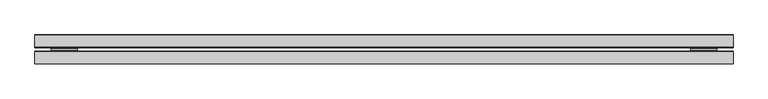
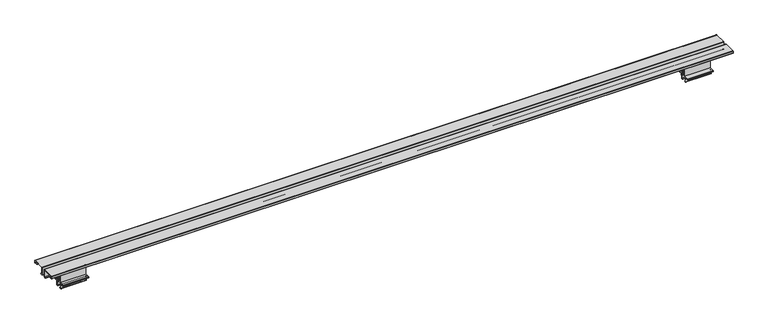
"""IFC4 building model written with IfcOpenShell, lengths in millimetres: furniture geometry."""

import ifcopenshell
import ifcopenshell.guid

model = None  # the IFC model being written
_history = None  # IfcOwnerHistory: only IFC2X3 demands one
_inside = {}  # id of a spatial element -> (the spatial element, [elements in it])
_under = {}  # id of a project, library or spatial element -> (it, [spatial elements below it])
_declared = {}  # id of a project -> (the project, [libraries it declares])
_typed = {}  # id of a type object -> (the type object, [elements of that type])
_made_of = {}  # id of a material, layer set ... -> (it, [elements and type objects made of it])


def new_model(schema):
    """Start an empty IFC model of exactly this schema.

    Asked for "IFC4X3", IfcOpenShell would pick the latest addendum, in which some entities
    have other attributes; the version numbers below select the first issue.
    IFC2X3 requires an IfcOwnerHistory on every rooted entity: one is made here for all.
    """
    global model, _history
    if schema == "IFC4X3":
        model = ifcopenshell.file(schema_version=(4, 3, 0, 0))
    else:
        model = ifcopenshell.file(schema=schema)
    _inside.clear()
    _under.clear()
    _declared.clear()
    _typed.clear()
    _made_of.clear()
    _history = None
    if model.schema == "IFC2X3":
        org = make("IfcOrganization", Name="unknown")
        user = make(
            "IfcPersonAndOrganization",
            ThePerson=make("IfcPerson", FamilyName="unknown"),
            TheOrganization=org,
        )
        app = make(
            "IfcApplication",
            ApplicationDeveloper=org,
            Version="unknown",
            ApplicationFullName="unknown",
            ApplicationIdentifier="unknown",
        )
        _history = make(
            "IfcOwnerHistory",
            OwningUser=user,
            OwningApplication=app,
            ChangeAction="ADDED",
            CreationDate=0,
        )
    return model


def make(cls, **values):
    """One entity of the class cls with the attributes given. An attribute that is None is left unset."""
    return model.create_entity(
        cls, **{name: value for name, value in values.items() if value is not None}
    )


def rooted(cls, **values):
    """An entity with a GlobalId (a new one), such as an element, a storey or a relation."""
    return make(cls, GlobalId=ifcopenshell.guid.new(), OwnerHistory=_history, **values)


def si_unit(unit_type, name, prefix=None):
    """IfcSIUnit, for example si_unit("LENGTHUNIT", "METRE", prefix="MILLI")."""
    return make("IfcSIUnit", UnitType=unit_type, Prefix=prefix, Name=name)


def assignment(units):
    """IfcUnitAssignment: the units of a project."""
    return None if units is None else make("IfcUnitAssignment", Units=units)


def point(xyz):
    """IfcCartesianPoint."""
    return None if xyz is None else make("IfcCartesianPoint", Coordinates=xyz)


def direction(xyz):
    """IfcDirection."""
    return None if xyz is None else make("IfcDirection", DirectionRatios=xyz)


def frame(location, z_axis=None, x_axis=None):
    """IfcAxis2Placement3D, a coordinate frame: its origin and axes. An axis left out is left unset."""
    return make(
        "IfcAxis2Placement3D",
        Location=point(location),
        Axis=direction(z_axis),
        RefDirection=direction(x_axis),
    )


def frame_2d(location, x_axis=None):
    """IfcAxis2Placement2D, a coordinate frame in the plane: its origin and x axis."""
    return make(
        "IfcAxis2Placement2D", Location=point(location), RefDirection=direction(x_axis)
    )


def origin():
    """The frame at (0, 0, 0) with its axes left unset."""
    return frame((0.0, 0.0, 0.0))


def place(relative_to, where):
    """IfcLocalPlacement: puts the frame where relative to a parent placement (None: the world)."""
    return make(
        "IfcLocalPlacement", PlacementRelTo=relative_to, RelativePlacement=where
    )


def context(
    kind, dimensions, precision=None, world=None, true_north=None, identifier=None
):
    """IfcGeometricRepresentationContext, for example the 3D "Model" context."""
    return make(
        "IfcGeometricRepresentationContext",
        ContextIdentifier=identifier,
        ContextType=kind,
        CoordinateSpaceDimension=dimensions,
        Precision=precision,
        WorldCoordinateSystem=world,
        TrueNorth=true_north,
    )


def project(units=None, contexts=None):
    """IfcProject with its units and contexts."""
    return rooted(
        "IfcProject",
        Name="project",
        RepresentationContexts=contexts,
        UnitsInContext=assignment(units),
    )


def spatial(cls, under=None, at=None, **own):
    """A site, building, storey or space (cls), placed at a placement, below another one or the project."""
    s = rooted(cls, ObjectPlacement=at, **own)
    if under is not None:
        _under.setdefault(under.id(), (under, []))[1].append(s)
    return s


def polyline(points):
    """IfcPolyline through the points."""
    return make("IfcPolyline", Points=[point(p) for p in points])


def circle_curve(where, radius):
    """IfcCircle in the frame where."""
    return make("IfcCircle", Position=where, Radius=radius)


def trimmed(basis, trim1, trim2, sense, master):
    """IfcTrimmedCurve: the piece of a basis curve between two trims."""
    return make(
        "IfcTrimmedCurve",
        BasisCurve=basis,
        Trim1=trim1,
        Trim2=trim2,
        SenseAgreement=sense,
        MasterRepresentation=master,
    )


def segment(curve, same_sense, transition):
    """IfcCompositeCurveSegment."""
    return make(
        "IfcCompositeCurveSegment",
        Transition=transition,
        SameSense=same_sense,
        ParentCurve=curve,
    )


def composite_curve(segments, self_intersect=None):
    """IfcCompositeCurve: segments joined end to end."""
    return make("IfcCompositeCurve", Segments=segments, SelfIntersect=self_intersect)


def outline(outer, holes=None, kind="AREA"):
    """IfcArbitraryClosedProfileDef: a profile drawn as a closed curve; with holes, ...WithVoids."""
    if holes is None:
        return make("IfcArbitraryClosedProfileDef", ProfileType=kind, OuterCurve=outer)
    return make(
        "IfcArbitraryProfileDefWithVoids",
        ProfileType=kind,
        OuterCurve=outer,
        InnerCurves=holes,
    )


def extrude(swept, where, along, depth):
    """IfcExtrudedAreaSolid: the profile swept, set in the frame where, extruded along a direction by depth."""
    return make(
        "IfcExtrudedAreaSolid",
        SweptArea=swept,
        Position=where,
        ExtrudedDirection=direction(along),
        Depth=depth,
    )


def shape(context_of_items, identifier, shape_type, items):
    """IfcShapeRepresentation: the items that make up one representation, for example the "Body"."""
    return make(
        "IfcShapeRepresentation",
        ContextOfItems=context_of_items,
        RepresentationIdentifier=identifier,
        RepresentationType=shape_type,
        Items=items,
    )


def source(mapping_origin, context_of_items, identifier, shape_type, items):
    """IfcRepresentationMap: a shape defined once, which mapped items show again and again."""
    return make(
        "IfcRepresentationMap",
        MappingOrigin=mapping_origin,
        MappedRepresentation=shape(context_of_items, identifier, shape_type, items),
    )


def transform(
    local_origin,
    x_axis=None,
    y_axis=None,
    z_axis=None,
    scale=None,
    scale2=None,
    scale3=None,
    uniform=True,
):
    """IfcCartesianTransformationOperator3D, or its non-uniform kind. x_axis, y_axis, z_axis: its Axis1, 2, 3."""
    if uniform:
        return make(
            "IfcCartesianTransformationOperator3D",
            Axis1=direction(x_axis),
            Axis2=direction(y_axis),
            LocalOrigin=point(local_origin),
            Scale=scale,
            Axis3=direction(z_axis),
        )
    return make(
        "IfcCartesianTransformationOperator3DnonUniform",
        Axis1=direction(x_axis),
        Axis2=direction(y_axis),
        LocalOrigin=point(local_origin),
        Scale=scale,
        Axis3=direction(z_axis),
        Scale2=scale2,
        Scale3=scale3,
    )


def mapped(mapping_source, mapping_target):
    """IfcMappedItem: shows the shape of a source again, moved by a transform."""
    return make(
        "IfcMappedItem", MappingSource=mapping_source, MappingTarget=mapping_target
    )


def made_of(thing, what):
    """Note that an element or type object is made of a material, layer set ...; save() writes the relation."""
    if what is not None:
        _made_of.setdefault(what.id(), (what, []))[1].append(thing)
    return thing


def element(
    cls,
    number,
    at=None,
    inside=None,
    cuts=None,
    type_object=None,
    material=None,
    context=None,
    identifier="Body",
    shape_type=None,
    held_by="IfcProductDefinitionShape",
    body=None,
    shapes=None,
    **own,
):
    """One element of the class cls, such as IfcWall. Its Tag is "e" and its number.

    at: its placement. inside: the storey or other place that contains it. cuts: it is an
    opening in that element (IfcRelVoidsElement). A single representation is given by context,
    identifier, shape_type and body (its items); several are given by shapes. held_by: the class
    of the entity that holds the representations. save() writes the other relations.
    """
    e = rooted(cls, Tag="e%d" % number, ObjectPlacement=at, **own)
    if body is not None:
        shapes = [shape(context, identifier, shape_type, body)]
    if shapes is not None:
        e.Representation = make(held_by, Representations=shapes)
    if inside is not None:
        _inside.setdefault(inside.id(), (inside, []))[1].append(e)
    if cuts is not None:
        rooted(
            "IfcRelVoidsElement", RelatingBuildingElement=cuts, RelatedOpeningElement=e
        )
    if type_object is not None:
        _typed.setdefault(type_object.id(), (type_object, []))[1].append(e)
    return made_of(e, material)


def aggregate(whole, parts):
    """IfcRelAggregates: a whole, such as a stair, and the parts it consists of."""
    return rooted("IfcRelAggregates", RelatingObject=whole, RelatedObjects=parts)


def save(model, path):
    """Write the relations noted so far, then the file.

    IfcRelAggregates (storeys below a building ...), IfcRelContainedInSpatialStructure (elements
    in a storey), IfcRelDefinesByType, IfcRelAssociatesMaterial and IfcRelDeclares: one each for
    every whole, place, type object, material and project.
    """
    for whole, parts in _under.values():
        aggregate(whole, parts)
    for where, things in _inside.values():
        rooted(
            "IfcRelContainedInSpatialStructure",
            RelatedElements=things,
            RelatingStructure=where,
        )
    for kind, things in _typed.values():
        rooted("IfcRelDefinesByType", RelatedObjects=things, RelatingType=kind)
    for what, things in _made_of.values():
        rooted("IfcRelAssociatesMaterial", RelatedObjects=things, RelatingMaterial=what)
    for by, libraries in _declared.values():
        rooted("IfcRelDeclares", RelatingContext=by, RelatedDefinitions=libraries)
    model.write(path)


def plane_surface(at):
    """IfcPlane: the flat surface through the origin of the frame at, square to its z axis."""
    return make("IfcPlane", Position=at)


def cylinder_surface(at, radius):
    """IfcCylindricalSurface: all points at the distance radius from the z axis of the frame at."""
    return make("IfcCylindricalSurface", Position=at, Radius=radius)


def revolved_surface(curve, axis_point, axis_direction):
    """IfcSurfaceOfRevolution: the curve turned about the line through axis_point along axis_direction."""
    return make(
        "IfcSurfaceOfRevolution",
        SweptCurve=make("IfcArbitraryOpenProfileDef", ProfileType="CURVE", Curve=curve),
        AxisPosition=make("IfcAxis1Placement", Location=point(axis_point), Axis=direction(axis_direction)),
    )


def advanced_brep(points, edges, surfaces, faces):
    """IfcAdvancedBrep: a solid bounded by faces that lie on surfaces and meet in shared edges.

    An edge is (start, end): straight between two places in points (the first is 0);
    or (start, end, curve); or (start, end, curve, False) where it runs against its curve.
    A face is (place in surfaces, loops), or (place, loops, False) where it looks against
    its surface's normal. A loop lists edges by number (the first is 1), with a minus sign
    where the edge is run from its end to its start. The first loop is the outer one.
    """
    corners = [point(p) for p in points]
    vertices = [make("IfcVertexPoint", VertexGeometry=c) for c in corners]
    made = []
    for start, end, *more in edges:
        made.append(
            make(
                "IfcEdgeCurve",
                EdgeStart=vertices[start],
                EdgeEnd=vertices[end],
                EdgeGeometry=more[0] if more else make("IfcPolyline", Points=[corners[start], corners[end]]),
                SameSense=more[1] if len(more) > 1 else True,
            )
        )
    hull = []
    for where, loops, *sense in faces:
        bounds = []
        for j, loop in enumerate(loops):
            ring = [make("IfcOrientedEdge", EdgeElement=made[abs(k) - 1], Orientation=k > 0) for k in loop]
            bounds.append(
                make(
                    "IfcFaceOuterBound" if j == 0 else "IfcFaceBound",
                    Bound=make("IfcEdgeLoop", EdgeList=ring),
                    Orientation=True,
                )
            )
        hull.append(make("IfcAdvancedFace", Bounds=bounds, FaceSurface=surfaces[where], SameSense=sense[0] if sense else True))
    return make("IfcAdvancedBrep", Outer=make("IfcClosedShell", CfsFaces=hull))


def furniture_a7e4b284(model_context):
    return source(origin(), model_context, "Body", "SolidModel", [
        extrude(outline(composite_curve([segment(polyline([(-46.1411741, 699.5921989), (-52.5216442, 699.5921989), (-52.5216442, 700.3795989), (-46.1411741, 700.3795989)]), True, "CONTINUOUS"), segment(trimmed(circle_curve(frame_2d((-46.1411741, 698.7336715)), 1.6459275), [point((-46.1411741, 700.3795989))], [point((-44.4952466, 698.7336715))], False, "CARTESIAN"), True, "CONTINUOUS"), segment(polyline([(-44.4952466, 698.7336715), (-44.4952466, 694.5076187), (-42.3108667, 689.7831667), (-42.3108667, 673.6334001), (-35.9226813, 673.6334001), (-35.9226813, 689.7831667), (-33.7383014, 694.5076187), (-33.7383014, 698.7336715)]), True, "CONTINUOUS"), segment(trimmed(circle_curve(frame_2d((-32.0923739, 698.7336715)), 1.6459275), [point((-33.7383014, 698.7336715))], [point((-32.0923739, 700.3795989))], False, "CARTESIAN"), True, "CONTINUOUS"), segment(polyline([(-32.0923739, 700.3795989), (-25.7119037, 700.3795989), (-25.7119037, 699.5921989), (-32.0923739, 699.5921989)]), True, "CONTINUOUS"), segment(trimmed(circle_curve(frame_2d((-32.0923739, 698.7336715)), 0.8585275), [point((-32.0923739, 699.5921989))], [point((-32.9509014, 698.7336715))], True, "CARTESIAN"), True, "CONTINUOUS"), segment(polyline([(-32.9509014, 698.7336715), (-32.9509014, 672.6173965), (-45.2826466, 672.6173965), (-45.2826466, 698.7336715)]), True, "CONTINUOUS"), segment(trimmed(circle_curve(frame_2d((-46.1411741, 698.7336715)), 0.8585275), [point((-45.2826466, 698.7336715))], [point((-46.1411741, 699.5921989))], True, "CARTESIAN"), True, "CONTINUOUS")], self_intersect=False)), frame((1717.5479964, 0.0, 0.0), z_axis=(1.0, 0.0, 0.0), x_axis=(0.0, 1.0, 0.0)), (0.0, 0.0, 1.0), 68.5800073),
        advanced_brep(
        [(1786.1280036, -43.8856479, 657.529798), (1786.1280036, -43.8856479, 658.317198), (1786.1280036, -47.4162484, 658.317198), (1786.1280036, -47.4162484, 666.3111433), (1786.1280036, -48.2566383, 667.7667378), (1786.1280036, -49.1307467, 668.2714021), (1786.1280036, -49.1307467, 670.2572048), (1786.1280036, -50.5257409, 671.6521989), (1786.1280036, -56.9931108, 671.6521989), (1786.1280036, -57.8998062, 670.8358068), (1786.1280036, -58.5922468, 671.8247145), (1786.1280036, -58.5922468, 672.6173965), (1786.1280036, -19.6540457, 672.6173965), (1786.1280036, -19.6540457, 671.8065135), (1786.1280036, -20.3337418, 670.8358068), (1786.1280036, -21.2404371, 671.6521989), (1786.1280036, -27.8273525, 671.6521989), (1786.1280036, -29.1155469, 670.3640045), (1786.1280036, -29.1155469, 668.2714021), (1786.1280036, -30.0322406, 667.7421513), (1786.1280036, -30.8300452, 666.3603165), (1786.1280036, -30.8300452, 658.317198), (1786.1280036, -34.3606457, 658.317198), (1786.1280036, -34.3606457, 657.529798), (1786.1280036, -30.560857, 657.529798), (1786.1280036, -30.0426452, 658.0480098), (1786.1280036, -30.0426452, 666.3603165), (1786.1280036, -29.6385421, 667.060242), (1786.1280036, -28.7038003, 667.5999128), (1786.1280036, -28.3281469, 668.2505621), (1786.1280036, -28.3281469, 670.3640045), (1786.1280036, -27.8273525, 670.8647989), (1786.1280036, -21.5426917, 670.8647989), (1786.1280036, -20.7678586, 670.1671361), (1786.1280036, -19.8407122, 670.1671361), (1786.1280036, -18.8666457, 671.5582472), (1786.1280036, -18.8666457, 672.9055121), (1786.1280036, -19.36593, 673.4047965), (1786.1280036, -58.8676179, 673.4047965), (1786.1280036, -59.3796468, 672.8927676), (1786.1280036, -59.3796468, 671.5764482), (1786.1280036, -58.3928358, 670.1671361), (1786.1280036, -57.4656894, 670.1671361), (1786.1280036, -56.6908563, 670.8647989), (1786.1280036, -50.5257409, 670.8647989), (1786.1280036, -49.9181467, 670.2572048), (1786.1280036, -49.9181467, 668.2891546), (1786.1280036, -49.5090711, 667.5806166), (1786.1280036, -48.6503368, 667.0848285), (1786.1280036, -48.2036484, 666.3111433), (1786.1280036, -48.2036484, 657.9107976), (1786.1280036, -47.672691, 657.529798), (1717.5479964, -43.8856479, 657.529798), (1717.5479964, -47.672691, 657.529798), (1717.5479964, -48.1909027, 658.0480098), (1717.5479964, -48.2036484, 666.3111433), (1717.5479964, -48.6503368, 667.0848285), (1717.5479964, -49.5090711, 667.5806166), (1717.5479964, -49.9181467, 668.2891546), (1717.5479964, -49.9181467, 670.2572048), (1717.5479964, -50.5257409, 670.8647989), (1717.5479964, -56.6908563, 670.8647989), (1717.5479964, -57.4656894, 670.1671361), (1717.5479964, -58.3928358, 670.1671361), (1717.5479964, -59.3796468, 671.5764482), (1717.5479964, -59.3796468, 672.8927676), (1717.5479964, -58.8676179, 673.4047965), (1717.5479964, -19.36593, 673.4047965), (1717.5479964, -18.8666457, 672.9055121), (1717.5479964, -18.8666457, 671.5582472), (1717.5479964, -19.8407122, 670.1671361), (1717.5479964, -20.7678586, 670.1671361), (1717.5479964, -21.5426917, 670.8647989), (1717.5479964, -27.8273525, 670.8647989), (1717.5479964, -28.3281469, 670.3640045), (1717.5479964, -28.3281469, 668.2505621), (1717.5479964, -28.7038003, 667.5999128), (1717.5479964, -29.6385421, 667.060242), (1717.5479964, -30.0426452, 666.3603165), (1717.5479964, -30.0426452, 658.0480098), (1717.5479964, -30.560857, 657.529798), (1717.5479964, -34.3606457, 657.529798), (1717.5479964, -34.3606457, 658.317198), (1717.5479964, -30.8300452, 658.317198), (1717.5479964, -30.8300452, 666.3603165), (1717.5479964, -30.0322406, 667.7421513), (1717.5479964, -29.1155469, 668.2714021), (1717.5479964, -29.1155469, 670.3640045), (1717.5479964, -27.8273525, 671.6521989), (1717.5479964, -21.2404371, 671.6521989), (1717.5479964, -20.3337418, 670.8358068), (1717.5479964, -19.6540457, 671.8065135), (1717.5479964, -19.6540457, 672.6173965), (1717.5479964, -58.5922468, 672.6173965), (1717.5479964, -58.5922468, 671.8247145), (1717.5479964, -57.8998062, 670.8358068), (1717.5479964, -56.9931108, 671.6521989), (1717.5479964, -50.5257409, 671.6521989), (1717.5479964, -49.1307467, 670.2572048), (1717.5479964, -49.1307467, 668.2714021), (1717.5479964, -48.2566383, 667.7667378), (1717.5479964, -47.4162484, 666.3111433), (1717.5479964, -47.4162484, 658.317198), (1717.5479964, -43.8856479, 658.317198)],
        [
            (0, 1),
            (1, 2),
            (2, 3),
            (3, 4, circle_curve(frame((1786.1280036, -49.097022, 666.3111433), z_axis=(1.0, 0.0, 0.0), x_axis=(0.0, 1.0, 0.0)), 1.6807736)),
            (4, 5),
            (5, 6),
            (6, 7, circle_curve(frame((1786.1280036, -50.5257409, 670.2572048), z_axis=(1.0, 0.0, 0.0), x_axis=(0.0, 1.0, 0.0)), 1.3949941)),
            (7, 8),
            (8, 9),
            (9, 10),
            (10, 11),
            (11, 12),
            (12, 13),
            (13, 14),
            (14, 15),
            (15, 16),
            (16, 17, circle_curve(frame((1786.1280036, -27.8273525, 670.3640045), z_axis=(1.0, 0.0, 0.0), x_axis=(0.0, 1.0, 0.0)), 1.2881944)),
            (17, 18),
            (18, 19),
            (19, 20, circle_curve(frame((1786.1280036, -29.2344419, 666.3603165), z_axis=(1.0, 0.0, 0.0), x_axis=(0.0, 1.0, 0.0)), 1.5956034)),
            (20, 21),
            (21, 22),
            (22, 23),
            (23, 24),
            (24, 25, circle_curve(frame((1786.1280036, -30.560857, 658.0480098), z_axis=(1.0, 0.0, 0.0), x_axis=(0.0, 1.0, 0.0)), 0.5182118)),
            (25, 26),
            (26, 27, circle_curve(frame((1786.1280036, -29.2344419, 666.3603165), z_axis=(-1.0, 0.0, 0.0), x_axis=(0.0, 1.0, 0.0)), 0.8082034)),
            (27, 28),
            (28, 29, circle_curve(frame((1786.1280036, -29.079451, 668.2505621), z_axis=(1.0, 0.0, 0.0), x_axis=(0.0, 1.0, 0.0)), 0.7513042)),
            (29, 30),
            (30, 31, circle_curve(frame((1786.1280036, -27.8273525, 670.3640045), z_axis=(-1.0, 0.0, 0.0), x_axis=(0.0, 1.0, 0.0)), 0.5007944)),
            (31, 32),
            (32, 33),
            (33, 34),
            (34, 35),
            (35, 36),
            (36, 37, circle_curve(frame((1786.1280036, -19.36593, 672.9055121), z_axis=(1.0, 0.0, 0.0), x_axis=(0.0, 1.0, 0.0)), 0.4992844)),
            (37, 38),
            (38, 39, circle_curve(frame((1786.1280036, -58.8676179, 672.8927676), z_axis=(1.0, 0.0, 0.0), x_axis=(0.0, 1.0, 0.0)), 0.5120288)),
            (39, 40),
            (40, 41),
            (41, 42),
            (42, 43),
            (43, 44),
            (44, 45, circle_curve(frame((1786.1280036, -50.5257409, 670.2572048), z_axis=(-1.0, 0.0, 0.0), x_axis=(0.0, 1.0, 0.0)), 0.6075941)),
            (45, 46),
            (46, 47, circle_curve(frame((1786.1280036, -49.0999985, 668.2891546), z_axis=(1.0, 0.0, 0.0), x_axis=(0.0, 1.0, 0.0)), 0.8181482)),
            (47, 48),
            (48, 49, circle_curve(frame((1786.1280036, -49.097022, 666.3111433), z_axis=(-1.0, 0.0, 0.0), x_axis=(0.0, 1.0, 0.0)), 0.8933736)),
            (49, 50),
            (50, 51, circle_curve(frame((1786.1280036, -47.672691, 658.0480098), z_axis=(1.0, 0.0, 0.0), x_axis=(0.0, 1.0, 0.0)), 0.5182118)),
            (51, 0),
            (52, 53),
            (53, 54, circle_curve(frame((1717.5479964, -47.672691, 658.0480098), z_axis=(-1.0, 0.0, 0.0), x_axis=(0.0, 1.0, 0.0)), 0.5182118)),
            (54, 55),
            (55, 56, circle_curve(frame((1717.5479964, -49.097022, 666.3111433), z_axis=(1.0, 0.0, 0.0), x_axis=(0.0, 1.0, 0.0)), 0.8933736)),
            (56, 57),
            (57, 58, circle_curve(frame((1717.5479964, -49.0999985, 668.2891546), z_axis=(-1.0, 0.0, 0.0), x_axis=(0.0, 1.0, 0.0)), 0.8181482)),
            (58, 59),
            (59, 60, circle_curve(frame((1717.5479964, -50.5257409, 670.2572048), z_axis=(1.0, 0.0, 0.0), x_axis=(0.0, 1.0, 0.0)), 0.6075941)),
            (60, 61),
            (61, 62),
            (62, 63),
            (63, 64),
            (64, 65),
            (65, 66, circle_curve(frame((1717.5479964, -58.8676179, 672.8927676), z_axis=(-1.0, 0.0, 0.0), x_axis=(0.0, 1.0, 0.0)), 0.5120288)),
            (66, 67),
            (67, 68, circle_curve(frame((1717.5479964, -19.36593, 672.9055121), z_axis=(-1.0, 0.0, 0.0), x_axis=(0.0, 1.0, 0.0)), 0.4992844)),
            (68, 69),
            (69, 70),
            (70, 71),
            (71, 72),
            (72, 73),
            (73, 74, circle_curve(frame((1717.5479964, -27.8273525, 670.3640045), z_axis=(1.0, 0.0, 0.0), x_axis=(0.0, 1.0, 0.0)), 0.5007944)),
            (74, 75),
            (75, 76, circle_curve(frame((1717.5479964, -29.079451, 668.2505621), z_axis=(-1.0, 0.0, 0.0), x_axis=(0.0, 1.0, 0.0)), 0.7513042)),
            (76, 77),
            (77, 78, circle_curve(frame((1717.5479964, -29.2344419, 666.3603165), z_axis=(1.0, 0.0, 0.0), x_axis=(0.0, 1.0, 0.0)), 0.8082034)),
            (78, 79),
            (79, 80, circle_curve(frame((1717.5479964, -30.560857, 658.0480098), z_axis=(-1.0, 0.0, 0.0), x_axis=(0.0, 1.0, 0.0)), 0.5182118)),
            (80, 81),
            (81, 82),
            (82, 83),
            (83, 84),
            (84, 85, circle_curve(frame((1717.5479964, -29.2344419, 666.3603165), z_axis=(-1.0, 0.0, 0.0), x_axis=(0.0, 1.0, 0.0)), 1.5956034)),
            (85, 86),
            (86, 87),
            (87, 88, circle_curve(frame((1717.5479964, -27.8273525, 670.3640045), z_axis=(-1.0, 0.0, 0.0), x_axis=(0.0, 1.0, 0.0)), 1.2881944)),
            (88, 89),
            (89, 90),
            (90, 91),
            (91, 92),
            (92, 93),
            (93, 94),
            (94, 95),
            (95, 96),
            (96, 97),
            (97, 98, circle_curve(frame((1717.5479964, -50.5257409, 670.2572048), z_axis=(-1.0, 0.0, 0.0), x_axis=(0.0, 1.0, 0.0)), 1.3949941)),
            (98, 99),
            (99, 100),
            (100, 101, circle_curve(frame((1717.5479964, -49.097022, 666.3111433), z_axis=(-1.0, 0.0, 0.0), x_axis=(0.0, 1.0, 0.0)), 1.6807736)),
            (101, 102),
            (102, 103),
            (103, 52),
            (51, 53),
            (52, 0),
            (50, 54),
            (49, 55),
            (48, 56),
            (47, 57),
            (46, 58),
            (45, 59),
            (44, 60),
            (43, 61),
            (42, 62),
            (41, 63),
            (40, 64),
            (39, 65),
            (38, 66),
            (37, 67),
            (36, 68),
            (35, 69),
            (34, 70),
            (33, 71),
            (32, 72),
            (31, 73),
            (30, 74),
            (29, 75),
            (28, 76),
            (27, 77),
            (26, 78),
            (25, 79),
            (24, 80),
            (23, 81),
            (22, 82),
            (21, 83),
            (20, 84),
            (19, 85),
            (18, 86),
            (17, 87),
            (16, 88),
            (15, 89),
            (14, 90),
            (13, 91),
            (12, 92),
            (11, 93),
            (10, 94),
            (9, 95),
            (8, 96),
            (7, 97),
            (6, 98),
            (5, 99),
            (4, 100),
            (3, 101),
            (2, 102),
            (1, 103),
        ],
        [
            plane_surface(frame((1786.1280036, -39.1358447, 635.10159), z_axis=(1.0, 0.0, 0.0), x_axis=(0.0, 0.0, 1.0))),
            plane_surface(frame((1717.5479964, -39.1358447, 635.10159), z_axis=(-1.0, 0.0, 0.0), x_axis=(0.0, 0.0, 1.0))),
            plane_surface(frame((1786.1280036, -43.8856479, 657.529798), z_axis=(0.0, 0.0, -1.0), x_axis=(-1.0, 0.0, 0.0))),
            cylinder_surface(frame((1786.1280036, -47.672691, 658.0480098), z_axis=(1.0, 0.0, 0.0), x_axis=(0.0, 1.0, 0.0)), 0.5182118),
            plane_surface(frame((1786.1280036, -48.2036484, 657.9107976), z_axis=(0.0, -1.0, 0.0), x_axis=(-1.0, 0.0, 0.0))),
            revolved_surface(polyline([(1717.5479964, -48.203648400000006, 666.3111433), (1786.1280036, -48.203648400000006, 666.3111433)]), (1786.1280036, -49.097022, 666.3111433), (-1.0, 0.0, 0.0)),
            plane_surface(frame((1786.1280036, -48.6503368, 667.0848285), z_axis=(0.0, -0.49999817066287033, -0.8660264599501468), x_axis=(-1.0, 0.0, 0.0))),
            cylinder_surface(frame((1786.1280036, -49.0999985, 668.2891546), z_axis=(1.0, 0.0, 0.0), x_axis=(0.0, 1.0, 0.0)), 0.8181482),
            plane_surface(frame((1786.1280036, -49.9181467, 668.2891546), z_axis=(0.0, -1.0, 0.0), x_axis=(-1.0, 0.0, 0.0))),
            revolved_surface(polyline([(1717.5479964, -49.9181468, 670.2572048), (1786.1280036, -49.9181468, 670.2572048)]), (1786.1280036, -50.5257409, 670.2572048), (-1.0, 0.0, 0.0)),
            plane_surface(frame((1786.1280036, -50.5257409, 670.8647989), z_axis=(0.0, 0.0, -1.0), x_axis=(-1.0, 0.0, 0.0))),
            plane_surface(frame((1786.1280036, -56.6908563, 670.8647989), z_axis=(0.0, 0.6691306063588597, -0.743144825477393), x_axis=(-1.0, 0.0, 0.0))),
            plane_surface(frame((1786.1280036, -57.4656894, 670.1671361), z_axis=(0.0, 0.0, -1.0), x_axis=(-1.0, 0.0, 0.0))),
            plane_surface(frame((1786.1280036, -58.3928358, 670.1671361), z_axis=(0.0, -0.8191520442889919, -0.5735764363510462), x_axis=(-1.0, 0.0, 0.0))),
            plane_surface(frame((1786.1280036, -59.3796468, 671.5764482), z_axis=(0.0, -1.0, 0.0), x_axis=(-1.0, 0.0, 0.0))),
            cylinder_surface(frame((1786.1280036, -58.8676179, 672.8927676), z_axis=(1.0, 0.0, 0.0), x_axis=(0.0, 1.0, 0.0)), 0.5120288),
            plane_surface(frame((1786.1280036, -58.8676179, 673.4047965), z_axis=(0.0, 0.0, 1.0), x_axis=(-1.0, 0.0, 0.0))),
            cylinder_surface(frame((1786.1280036, -19.36593, 672.9055121), z_axis=(1.0, 0.0, 0.0), x_axis=(0.0, 1.0, 0.0)), 0.4992844),
            plane_surface(frame((1786.1280036, -18.8666457, 672.9055121), z_axis=(0.0, 1.0, 0.0), x_axis=(-1.0, 0.0, 0.0))),
            plane_surface(frame((1786.1280036, -18.8666457, 671.5582472), z_axis=(0.0, 0.8191520442889919, -0.5735764363510462), x_axis=(-1.0, 0.0, 0.0))),
            plane_surface(frame((1786.1280036, -19.8407122, 670.1671361), z_axis=(0.0, 0.0, -1.0), x_axis=(-1.0, 0.0, 0.0))),
            plane_surface(frame((1786.1280036, -20.7678586, 670.1671361), z_axis=(0.0, -0.6691306063588597, -0.743144825477393), x_axis=(-1.0, 0.0, 0.0))),
            plane_surface(frame((1786.1280036, -21.5426917, 670.8647989), z_axis=(0.0, 0.0, -1.0), x_axis=(-1.0, 0.0, 0.0))),
            revolved_surface(polyline([(1717.5479964, -27.3265581, 670.3640045), (1786.1280036, -27.3265581, 670.3640045)]), (1786.1280036, -27.8273525, 670.3640045), (-1.0, 0.0, 0.0)),
            plane_surface(frame((1786.1280036, -28.3281469, 670.3640045), z_axis=(0.0, 1.0, 0.0), x_axis=(-1.0, 0.0, 0.0))),
            cylinder_surface(frame((1786.1280036, -29.079451, 668.2505621), z_axis=(1.0, 0.0, 0.0), x_axis=(0.0, 1.0, 0.0)), 0.7513042),
            plane_surface(frame((1786.1280036, -28.7038003, 667.5999128), z_axis=(0.0, 0.49999817066287033, -0.8660264599501468), x_axis=(-1.0, 0.0, 0.0))),
            revolved_surface(polyline([(1717.5479964, -28.4262385, 666.3603165), (1786.1280036, -28.4262385, 666.3603165)]), (1786.1280036, -29.2344419, 666.3603165), (-1.0, 0.0, 0.0)),
            plane_surface(frame((1786.1280036, -30.0426452, 666.3603165), z_axis=(0.0, 1.0, 0.0), x_axis=(-1.0, 0.0, 0.0))),
            cylinder_surface(frame((1786.1280036, -30.560857, 658.0480098), z_axis=(1.0, 0.0, 0.0), x_axis=(0.0, 1.0, 0.0)), 0.5182118),
            plane_surface(frame((1786.1280036, -30.560857, 657.529798), z_axis=(0.0, 0.0, -1.0), x_axis=(-1.0, 0.0, 0.0))),
            plane_surface(frame((1786.1280036, -34.3606457, 657.529798), z_axis=(0.0, -1.0, 0.0), x_axis=(-1.0, 0.0, 0.0))),
            plane_surface(frame((1786.1280036, -34.3606457, 658.317198), z_axis=(0.0, 0.0, 1.0), x_axis=(-1.0, 0.0, 0.0))),
            plane_surface(frame((1786.1280036, -30.8300452, 658.317198), z_axis=(0.0, -1.0, 0.0), x_axis=(-1.0, 0.0, 0.0))),
            cylinder_surface(frame((1786.1280036, -29.2344419, 666.3603165), z_axis=(1.0, 0.0, 0.0), x_axis=(0.0, 1.0, 0.0)), 1.5956034),
            plane_surface(frame((1786.1280036, -30.0322406, 667.7421513), z_axis=(0.0, -0.4999981706628693, 0.8660264599501475), x_axis=(-1.0, 0.0, 0.0))),
            plane_surface(frame((1786.1280036, -29.1155469, 668.2714021), z_axis=(0.0, -1.0, 0.0), x_axis=(-1.0, 0.0, 0.0))),
            cylinder_surface(frame((1786.1280036, -27.8273525, 670.3640045), z_axis=(1.0, 0.0, 0.0), x_axis=(0.0, 1.0, 0.0)), 1.2881944),
            plane_surface(frame((1786.1280036, -27.8273525, 671.6521989), z_axis=(0.0, 0.0, 1.0), x_axis=(-1.0, 0.0, 0.0))),
            plane_surface(frame((1786.1280036, -21.2404371, 671.6521989), z_axis=(0.0, 0.6691306063588597, 0.743144825477393), x_axis=(-1.0, 0.0, 0.0))),
            plane_surface(frame((1786.1280036, -20.3337418, 670.8358068), z_axis=(0.0, -0.819152044288992, 0.5735764363510457), x_axis=(-1.0, 0.0, 0.0))),
            plane_surface(frame((1786.1280036, -19.6540457, 671.8065135), z_axis=(0.0, -1.0, 0.0), x_axis=(-1.0, 0.0, 0.0))),
            plane_surface(frame((1786.1280036, -19.6540457, 672.6173965), z_axis=(0.0, 0.0, -1.0), x_axis=(-1.0, 0.0, 0.0))),
            plane_surface(frame((1786.1280036, -58.5922468, 672.6173965), z_axis=(0.0, 1.0, 0.0), x_axis=(-1.0, 0.0, 0.0))),
            plane_surface(frame((1786.1280036, -58.5922468, 671.8247145), z_axis=(0.0, 0.8191520442889909, 0.5735764363510474), x_axis=(-1.0, 0.0, 0.0))),
            plane_surface(frame((1786.1280036, -57.8998062, 670.8358068), z_axis=(0.0, -0.6691306063588597, 0.743144825477393), x_axis=(-1.0, 0.0, 0.0))),
            plane_surface(frame((1786.1280036, -56.9931108, 671.6521989), z_axis=(0.0, 0.0, 1.0), x_axis=(-1.0, 0.0, 0.0))),
            cylinder_surface(frame((1786.1280036, -50.5257409, 670.2572048), z_axis=(1.0, 0.0, 0.0), x_axis=(0.0, 1.0, 0.0)), 1.3949941),
            plane_surface(frame((1786.1280036, -49.1307467, 670.2572048), z_axis=(0.0, 1.0, 0.0), x_axis=(-1.0, 0.0, 0.0))),
            plane_surface(frame((1786.1280036, -49.1307467, 668.2714021), z_axis=(0.0, 0.49999817066287294, 0.8660264599501454), x_axis=(-1.0, 0.0, 0.0))),
            cylinder_surface(frame((1786.1280036, -49.097022, 666.3111433), z_axis=(1.0, 0.0, 0.0), x_axis=(0.0, 1.0, 0.0)), 1.6807736),
            plane_surface(frame((1786.1280036, -47.4162484, 666.3111433), z_axis=(0.0, 1.0, 0.0), x_axis=(-1.0, 0.0, 0.0))),
            plane_surface(frame((1786.1280036, -47.4162484, 658.317198), z_axis=(0.0, 0.0, 1.0), x_axis=(-1.0, 0.0, 0.0))),
            plane_surface(frame((1786.1280036, -43.8856479, 658.317198), z_axis=(0.0, 1.0, 0.0), x_axis=(-1.0, 0.0, 0.0))),
        ],
        [
            (0, [[1, 2, 3, 4, 5, 6, 7, 8, 9, 10, 11, 12, 13, 14, 15, 16, 17, 18, 19, 20, 21, 22, 23, 24, 25, 26, 27, 28, 29, 30, 31, 32, 33, 34, 35, 36, 37, 38, 39, 40, 41, 42, 43, 44, 45, 46, 47, 48, 49, 50, 51, 52]]),
            (1, [[53, 54, 55, 56, 57, 58, 59, 60, 61, 62, 63, 64, 65, 66, 67, 68, 69, 70, 71, 72, 73, 74, 75, 76, 77, 78, 79, 80, 81, 82, 83, 84, 85, 86, 87, 88, 89, 90, 91, 92, 93, 94, 95, 96, 97, 98, 99, 100, 101, 102, 103, 104]]),
            (2, [[105, -53, 106, -52]]),
            (3, [[107, -54, -105, -51]]),
            (4, [[108, -55, -107, -50]]),
            (5, [[109, -56, -108, -49]]),
            (6, [[110, -57, -109, -48]]),
            (7, [[111, -58, -110, -47]]),
            (8, [[112, -59, -111, -46]]),
            (9, [[113, -60, -112, -45]]),
            (10, [[114, -61, -113, -44]]),
            (11, [[115, -62, -114, -43]]),
            (12, [[116, -63, -115, -42]]),
            (13, [[117, -64, -116, -41]]),
            (14, [[118, -65, -117, -40]]),
            (15, [[119, -66, -118, -39]]),
            (16, [[120, -67, -119, -38]]),
            (17, [[121, -68, -120, -37]]),
            (18, [[122, -69, -121, -36]]),
            (19, [[123, -70, -122, -35]]),
            (20, [[124, -71, -123, -34]]),
            (21, [[125, -72, -124, -33]]),
            (22, [[126, -73, -125, -32]]),
            (23, [[127, -74, -126, -31]]),
            (24, [[128, -75, -127, -30]]),
            (25, [[129, -76, -128, -29]]),
            (26, [[130, -77, -129, -28]]),
            (27, [[131, -78, -130, -27]]),
            (28, [[132, -79, -131, -26]]),
            (29, [[133, -80, -132, -25]]),
            (30, [[134, -81, -133, -24]]),
            (31, [[135, -82, -134, -23]]),
            (32, [[136, -83, -135, -22]]),
            (33, [[137, -84, -136, -21]]),
            (34, [[138, -85, -137, -20]]),
            (35, [[139, -86, -138, -19]]),
            (36, [[140, -87, -139, -18]]),
            (37, [[141, -88, -140, -17]]),
            (38, [[142, -89, -141, -16]]),
            (39, [[143, -90, -142, -15]]),
            (40, [[144, -91, -143, -14]]),
            (41, [[145, -92, -144, -13]]),
            (42, [[146, -93, -145, -12]]),
            (43, [[147, -94, -146, -11]]),
            (44, [[148, -95, -147, -10]]),
            (45, [[149, -96, -148, -9]]),
            (46, [[150, -97, -149, -8]]),
            (47, [[151, -98, -150, -7]]),
            (48, [[152, -99, -151, -6]]),
            (49, [[153, -100, -152, -5]]),
            (50, [[154, -101, -153, -4]]),
            (51, [[155, -102, -154, -3]]),
            (52, [[156, -103, -155, -2]]),
            (53, [[-106, -104, -156, -1]]),
        ],
    ),
        extrude(outline(composite_curve([segment(polyline([(-46.1411741, 699.5921989), (-52.5216442, 699.5921989), (-52.5216442, 700.3795989), (-46.1411741, 700.3795989)]), True, "CONTINUOUS"), segment(trimmed(circle_curve(frame_2d((-46.1411741, 698.7336715)), 1.6459275), [point((-46.1411741, 700.3795989))], [point((-44.4952466, 698.7336715))], False, "CARTESIAN"), True, "CONTINUOUS"), segment(polyline([(-44.4952466, 698.7336715), (-44.4952466, 694.5076187), (-42.3108667, 689.7831667), (-42.3108667, 673.6334001), (-35.9226813, 673.6334001), (-35.9226813, 689.7831667), (-33.7383014, 694.5076187), (-33.7383014, 698.7336715)]), True, "CONTINUOUS"), segment(trimmed(circle_curve(frame_2d((-32.0923739, 698.7336715)), 1.6459275), [point((-33.7383014, 698.7336715))], [point((-32.0923739, 700.3795989))], False, "CARTESIAN"), True, "CONTINUOUS"), segment(polyline([(-32.0923739, 700.3795989), (-25.7119037, 700.3795989), (-25.7119037, 699.5921989), (-32.0923739, 699.5921989)]), True, "CONTINUOUS"), segment(trimmed(circle_curve(frame_2d((-32.0923739, 698.7336715)), 0.8585275), [point((-32.0923739, 699.5921989))], [point((-32.9509014, 698.7336715))], True, "CARTESIAN"), True, "CONTINUOUS"), segment(polyline([(-32.9509014, 698.7336715), (-32.9509014, 672.6173965), (-45.2826466, 672.6173965), (-45.2826466, 698.7336715)]), True, "CONTINUOUS"), segment(trimmed(circle_curve(frame_2d((-46.1411741, 698.7336715)), 0.8585275), [point((-45.2826466, 698.7336715))], [point((-46.1411741, 699.5921989))], True, "CARTESIAN"), True, "CONTINUOUS")], self_intersect=False)), frame((42.6719964, 0.0, 0.0), z_axis=(1.0, 0.0, 0.0), x_axis=(0.0, 1.0, 0.0)), (0.0, 0.0, 1.0), 68.5800073),
        advanced_brep(
        [(42.6719964, -43.8856479, 657.529798), (42.6719964, -47.672691, 657.529798), (42.6719964, -48.1909027, 658.0480098), (42.6719964, -48.2036484, 666.3111433), (42.6719964, -48.6503368, 667.0848285), (42.6719964, -49.5090711, 667.5806166), (42.6719964, -49.9181467, 668.2891546), (42.6719964, -49.9181467, 670.2572048), (42.6719964, -50.5257409, 670.8647989), (42.6719964, -56.6908563, 670.8647989), (42.6719964, -57.4656894, 670.1671361), (42.6719964, -58.3928358, 670.1671361), (42.6719964, -59.3796468, 671.5764482), (42.6719964, -59.3796468, 672.8927676), (42.6719964, -58.8676179, 673.4047965), (42.6719964, -19.36593, 673.4047965), (42.6719964, -18.8666457, 672.9055121), (42.6719964, -18.8666457, 671.5582472), (42.6719964, -19.8407122, 670.1671361), (42.6719964, -20.7678586, 670.1671361), (42.6719964, -21.5426917, 670.8647989), (42.6719964, -27.8273525, 670.8647989), (42.6719964, -28.3281469, 670.3640045), (42.6719964, -28.3281469, 668.2505621), (42.6719964, -28.7038003, 667.5999128), (42.6719964, -29.6385421, 667.060242), (42.6719964, -30.0426452, 666.3603165), (42.6719964, -30.0426452, 658.0480098), (42.6719964, -30.560857, 657.529798), (42.6719964, -34.3606457, 657.529798), (42.6719964, -34.3606457, 658.317198), (42.6719964, -30.8300452, 658.317198), (42.6719964, -30.8300452, 666.3603165), (42.6719964, -30.0322406, 667.7421513), (42.6719964, -29.1155469, 668.2714021), (42.6719964, -29.1155469, 670.3640045), (42.6719964, -27.8273525, 671.6521989), (42.6719964, -21.2404371, 671.6521989), (42.6719964, -20.3337418, 670.8358068), (42.6719964, -19.6540457, 671.8065135), (42.6719964, -19.6540457, 672.6173965), (42.6719964, -58.5922468, 672.6173965), (42.6719964, -58.5922468, 671.8247145), (42.6719964, -57.8998062, 670.8358068), (42.6719964, -56.9931108, 671.6521989), (42.6719964, -50.5257409, 671.6521989), (42.6719964, -49.1307467, 670.2572048), (42.6719964, -49.1307467, 668.2714021), (42.6719964, -48.2566383, 667.7667378), (42.6719964, -47.4162484, 666.3111433), (42.6719964, -47.4162484, 658.317198), (42.6719964, -43.8856479, 658.317198), (111.2520036, -43.8856479, 657.529798), (111.2520036, -43.8856479, 658.317198), (111.2520036, -47.4162484, 658.317198), (111.2520036, -47.4162484, 666.3111433), (111.2520036, -48.2566383, 667.7667378), (111.2520036, -49.1307467, 668.2714021), (111.2520036, -49.1307467, 670.2572048), (111.2520036, -50.5257409, 671.6521989), (111.2520036, -56.9931108, 671.6521989), (111.2520036, -57.8998062, 670.8358068), (111.2520036, -58.5922468, 671.8247145), (111.2520036, -58.5922468, 672.6173965), (111.2520036, -19.6540457, 672.6173965), (111.2520036, -19.6540457, 671.8065135), (111.2520036, -20.3337418, 670.8358068), (111.2520036, -21.2404371, 671.6521989), (111.2520036, -27.8273525, 671.6521989), (111.2520036, -29.1155469, 670.3640045), (111.2520036, -29.1155469, 668.2714021), (111.2520036, -30.0322406, 667.7421513), (111.2520036, -30.8300452, 666.3603165), (111.2520036, -30.8300452, 658.317198), (111.2520036, -34.3606457, 658.317198), (111.2520036, -34.3606457, 657.529798), (111.2520036, -30.560857, 657.529798), (111.2520036, -30.0426452, 658.0480098), (111.2520036, -30.0426452, 666.3603165), (111.2520036, -29.6385421, 667.060242), (111.2520036, -28.7038003, 667.5999128), (111.2520036, -28.3281469, 668.2505621), (111.2520036, -28.3281469, 670.3640045), (111.2520036, -27.8273525, 670.8647989), (111.2520036, -21.5426917, 670.8647989), (111.2520036, -20.7678586, 670.1671361), (111.2520036, -19.8407122, 670.1671361), (111.2520036, -18.8666457, 671.5582472), (111.2520036, -18.8666457, 672.9055121), (111.2520036, -19.36593, 673.4047965), (111.2520036, -58.8676179, 673.4047965), (111.2520036, -59.3796468, 672.8927676), (111.2520036, -59.3796468, 671.5764482), (111.2520036, -58.3928358, 670.1671361), (111.2520036, -57.4656894, 670.1671361), (111.2520036, -56.6908563, 670.8647989), (111.2520036, -50.5257409, 670.8647989), (111.2520036, -49.9181467, 670.2572048), (111.2520036, -49.9181467, 668.2891546), (111.2520036, -49.5090711, 667.5806166), (111.2520036, -48.6503368, 667.0848285), (111.2520036, -48.2036484, 666.3111433), (111.2520036, -48.2036484, 657.9107976), (111.2520036, -47.672691, 657.529798)],
        [
            (0, 1),
            (1, 2, circle_curve(frame((42.6719964, -47.672691, 658.0480098), z_axis=(-1.0, 0.0, 0.0), x_axis=(0.0, 1.0, 0.0)), 0.5182118)),
            (2, 3),
            (3, 4, circle_curve(frame((42.6719964, -49.097022, 666.3111433), z_axis=(1.0, 0.0, 0.0), x_axis=(0.0, 1.0, 0.0)), 0.8933736)),
            (4, 5),
            (5, 6, circle_curve(frame((42.6719964, -49.0999985, 668.2891546), z_axis=(-1.0, 0.0, 0.0), x_axis=(0.0, 1.0, 0.0)), 0.8181482)),
            (6, 7),
            (7, 8, circle_curve(frame((42.6719964, -50.5257409, 670.2572048), z_axis=(1.0, 0.0, 0.0), x_axis=(0.0, 1.0, 0.0)), 0.6075941)),
            (8, 9),
            (9, 10),
            (10, 11),
            (11, 12),
            (12, 13),
            (13, 14, circle_curve(frame((42.6719964, -58.8676179, 672.8927676), z_axis=(-1.0, 0.0, 0.0), x_axis=(0.0, 1.0, 0.0)), 0.5120288)),
            (14, 15),
            (15, 16, circle_curve(frame((42.6719964, -19.36593, 672.9055121), z_axis=(-1.0, 0.0, 0.0), x_axis=(0.0, 1.0, 0.0)), 0.4992844)),
            (16, 17),
            (17, 18),
            (18, 19),
            (19, 20),
            (20, 21),
            (21, 22, circle_curve(frame((42.6719964, -27.8273525, 670.3640045), z_axis=(1.0, 0.0, 0.0), x_axis=(0.0, 1.0, 0.0)), 0.5007944)),
            (22, 23),
            (23, 24, circle_curve(frame((42.6719964, -29.079451, 668.2505621), z_axis=(-1.0, 0.0, 0.0), x_axis=(0.0, 1.0, 0.0)), 0.7513042)),
            (24, 25),
            (25, 26, circle_curve(frame((42.6719964, -29.2344419, 666.3603165), z_axis=(1.0, 0.0, 0.0), x_axis=(0.0, 1.0, 0.0)), 0.8082034)),
            (26, 27),
            (27, 28, circle_curve(frame((42.6719964, -30.560857, 658.0480098), z_axis=(-1.0, 0.0, 0.0), x_axis=(0.0, 1.0, 0.0)), 0.5182118)),
            (28, 29),
            (29, 30),
            (30, 31),
            (31, 32),
            (32, 33, circle_curve(frame((42.6719964, -29.2344419, 666.3603165), z_axis=(-1.0, 0.0, 0.0), x_axis=(0.0, 1.0, 0.0)), 1.5956034)),
            (33, 34),
            (34, 35),
            (35, 36, circle_curve(frame((42.6719964, -27.8273525, 670.3640045), z_axis=(-1.0, 0.0, 0.0), x_axis=(0.0, 1.0, 0.0)), 1.2881944)),
            (36, 37),
            (37, 38),
            (38, 39),
            (39, 40),
            (40, 41),
            (41, 42),
            (42, 43),
            (43, 44),
            (44, 45),
            (45, 46, circle_curve(frame((42.6719964, -50.5257409, 670.2572048), z_axis=(-1.0, 0.0, 0.0), x_axis=(0.0, 1.0, 0.0)), 1.3949941)),
            (46, 47),
            (47, 48),
            (48, 49, circle_curve(frame((42.6719964, -49.097022, 666.3111433), z_axis=(-1.0, 0.0, 0.0), x_axis=(0.0, 1.0, 0.0)), 1.6807736)),
            (49, 50),
            (50, 51),
            (51, 0),
            (52, 53),
            (53, 54),
            (54, 55),
            (55, 56, circle_curve(frame((111.2520036, -49.097022, 666.3111433), z_axis=(1.0, 0.0, 0.0), x_axis=(0.0, 1.0, 0.0)), 1.6807736)),
            (56, 57),
            (57, 58),
            (58, 59, circle_curve(frame((111.2520036, -50.5257409, 670.2572048), z_axis=(1.0, 0.0, 0.0), x_axis=(0.0, 1.0, 0.0)), 1.3949941)),
            (59, 60),
            (60, 61),
            (61, 62),
            (62, 63),
            (63, 64),
            (64, 65),
            (65, 66),
            (66, 67),
            (67, 68),
            (68, 69, circle_curve(frame((111.2520036, -27.8273525, 670.3640045), z_axis=(1.0, 0.0, 0.0), x_axis=(0.0, 1.0, 0.0)), 1.2881944)),
            (69, 70),
            (70, 71),
            (71, 72, circle_curve(frame((111.2520036, -29.2344419, 666.3603165), z_axis=(1.0, 0.0, 0.0), x_axis=(0.0, 1.0, 0.0)), 1.5956034)),
            (72, 73),
            (73, 74),
            (74, 75),
            (75, 76),
            (76, 77, circle_curve(frame((111.2520036, -30.560857, 658.0480098), z_axis=(1.0, 0.0, 0.0), x_axis=(0.0, 1.0, 0.0)), 0.5182118)),
            (77, 78),
            (78, 79, circle_curve(frame((111.2520036, -29.2344419, 666.3603165), z_axis=(-1.0, 0.0, 0.0), x_axis=(0.0, 1.0, 0.0)), 0.8082034)),
            (79, 80),
            (80, 81, circle_curve(frame((111.2520036, -29.079451, 668.2505621), z_axis=(1.0, 0.0, 0.0), x_axis=(0.0, 1.0, 0.0)), 0.7513042)),
            (81, 82),
            (82, 83, circle_curve(frame((111.2520036, -27.8273525, 670.3640045), z_axis=(-1.0, 0.0, 0.0), x_axis=(0.0, 1.0, 0.0)), 0.5007944)),
            (83, 84),
            (84, 85),
            (85, 86),
            (86, 87),
            (87, 88),
            (88, 89, circle_curve(frame((111.2520036, -19.36593, 672.9055121), z_axis=(1.0, 0.0, 0.0), x_axis=(0.0, 1.0, 0.0)), 0.4992844)),
            (89, 90),
            (90, 91, circle_curve(frame((111.2520036, -58.8676179, 672.8927676), z_axis=(1.0, 0.0, 0.0), x_axis=(0.0, 1.0, 0.0)), 0.5120288)),
            (91, 92),
            (92, 93),
            (93, 94),
            (94, 95),
            (95, 96),
            (96, 97, circle_curve(frame((111.2520036, -50.5257409, 670.2572048), z_axis=(-1.0, 0.0, 0.0), x_axis=(0.0, 1.0, 0.0)), 0.6075941)),
            (97, 98),
            (98, 99, circle_curve(frame((111.2520036, -49.0999985, 668.2891546), z_axis=(1.0, 0.0, 0.0), x_axis=(0.0, 1.0, 0.0)), 0.8181482)),
            (99, 100),
            (100, 101, circle_curve(frame((111.2520036, -49.097022, 666.3111433), z_axis=(-1.0, 0.0, 0.0), x_axis=(0.0, 1.0, 0.0)), 0.8933736)),
            (101, 102),
            (102, 103, circle_curve(frame((111.2520036, -47.672691, 658.0480098), z_axis=(1.0, 0.0, 0.0), x_axis=(0.0, 1.0, 0.0)), 0.5182118)),
            (103, 52),
            (0, 52),
            (103, 1),
            (102, 2),
            (101, 3),
            (100, 4),
            (99, 5),
            (98, 6),
            (97, 7),
            (96, 8),
            (95, 9),
            (94, 10),
            (93, 11),
            (92, 12),
            (91, 13),
            (90, 14),
            (89, 15),
            (88, 16),
            (87, 17),
            (86, 18),
            (85, 19),
            (84, 20),
            (83, 21),
            (82, 22),
            (81, 23),
            (80, 24),
            (79, 25),
            (78, 26),
            (77, 27),
            (76, 28),
            (75, 29),
            (74, 30),
            (73, 31),
            (72, 32),
            (71, 33),
            (70, 34),
            (69, 35),
            (68, 36),
            (67, 37),
            (66, 38),
            (65, 39),
            (64, 40),
            (63, 41),
            (62, 42),
            (61, 43),
            (60, 44),
            (59, 45),
            (58, 46),
            (57, 47),
            (56, 48),
            (55, 49),
            (54, 50),
            (53, 51),
        ],
        [
            plane_surface(frame((42.6719964, -39.1358447, 635.10159), z_axis=(-1.0, 0.0, 0.0), x_axis=(0.0, 0.0, 1.0))),
            plane_surface(frame((111.2520036, -39.1358447, 635.10159), z_axis=(1.0, 0.0, 0.0), x_axis=(0.0, 0.0, 1.0))),
            plane_surface(frame((42.6719964, -43.8856479, 657.529798), z_axis=(0.0, 0.0, -1.0), x_axis=(1.0, 0.0, 0.0))),
            cylinder_surface(frame((42.6719964, -47.672691, 658.0480098), z_axis=(-1.0, 0.0, 0.0), x_axis=(0.0, 1.0, 0.0)), 0.5182118),
            plane_surface(frame((42.6719964, -48.2036484, 657.9107976), z_axis=(0.0, -1.0, 0.0), x_axis=(1.0, 0.0, 0.0))),
            revolved_surface(polyline([(111.2520036, -48.203648400000006, 666.3111433), (42.6719964, -48.203648400000006, 666.3111433)]), (42.6719964, -49.097022, 666.3111433), (1.0, 0.0, 0.0)),
            plane_surface(frame((42.6719964, -48.6503368, 667.0848285), z_axis=(0.0, -0.49999817066287033, -0.8660264599501468), x_axis=(1.0, 0.0, 0.0))),
            cylinder_surface(frame((42.6719964, -49.0999985, 668.2891546), z_axis=(-1.0, 0.0, 0.0), x_axis=(0.0, 1.0, 0.0)), 0.8181482),
            plane_surface(frame((42.6719964, -49.9181467, 668.2891546), z_axis=(0.0, -1.0, 0.0), x_axis=(1.0, 0.0, 0.0))),
            revolved_surface(polyline([(111.2520036, -49.9181468, 670.2572048), (42.6719964, -49.9181468, 670.2572048)]), (42.6719964, -50.5257409, 670.2572048), (1.0, 0.0, 0.0)),
            plane_surface(frame((42.6719964, -50.5257409, 670.8647989), z_axis=(0.0, 0.0, -1.0), x_axis=(1.0, 0.0, 0.0))),
            plane_surface(frame((42.6719964, -56.6908563, 670.8647989), z_axis=(0.0, 0.6691306063588597, -0.743144825477393), x_axis=(1.0, 0.0, 0.0))),
            plane_surface(frame((42.6719964, -57.4656894, 670.1671361), z_axis=(0.0, 0.0, -1.0), x_axis=(1.0, 0.0, 0.0))),
            plane_surface(frame((42.6719964, -58.3928358, 670.1671361), z_axis=(0.0, -0.8191520442889919, -0.5735764363510462), x_axis=(1.0, 0.0, 0.0))),
            plane_surface(frame((42.6719964, -59.3796468, 671.5764482), z_axis=(0.0, -1.0, 0.0), x_axis=(1.0, 0.0, 0.0))),
            cylinder_surface(frame((42.6719964, -58.8676179, 672.8927676), z_axis=(-1.0, 0.0, 0.0), x_axis=(0.0, 1.0, 0.0)), 0.5120288),
            plane_surface(frame((42.6719964, -58.8676179, 673.4047965), z_axis=(0.0, 0.0, 1.0), x_axis=(1.0, 0.0, 0.0))),
            cylinder_surface(frame((42.6719964, -19.36593, 672.9055121), z_axis=(-1.0, 0.0, 0.0), x_axis=(0.0, 1.0, 0.0)), 0.4992844),
            plane_surface(frame((42.6719964, -18.8666457, 672.9055121), z_axis=(0.0, 1.0, 0.0), x_axis=(1.0, 0.0, 0.0))),
            plane_surface(frame((42.6719964, -18.8666457, 671.5582472), z_axis=(0.0, 0.8191520442889919, -0.5735764363510462), x_axis=(1.0, 0.0, 0.0))),
            plane_surface(frame((42.6719964, -19.8407122, 670.1671361), z_axis=(0.0, 0.0, -1.0), x_axis=(1.0, 0.0, 0.0))),
            plane_surface(frame((42.6719964, -20.7678586, 670.1671361), z_axis=(0.0, -0.6691306063588597, -0.743144825477393), x_axis=(1.0, 0.0, 0.0))),
            plane_surface(frame((42.6719964, -21.5426917, 670.8647989), z_axis=(0.0, 0.0, -1.0), x_axis=(1.0, 0.0, 0.0))),
            revolved_surface(polyline([(111.2520036, -27.3265581, 670.3640045), (42.6719964, -27.3265581, 670.3640045)]), (42.6719964, -27.8273525, 670.3640045), (1.0, 0.0, 0.0)),
            plane_surface(frame((42.6719964, -28.3281469, 670.3640045), z_axis=(0.0, 1.0, 0.0), x_axis=(1.0, 0.0, 0.0))),
            cylinder_surface(frame((42.6719964, -29.079451, 668.2505621), z_axis=(-1.0, 0.0, 0.0), x_axis=(0.0, 1.0, 0.0)), 0.7513042),
            plane_surface(frame((42.6719964, -28.7038003, 667.5999128), z_axis=(0.0, 0.49999817066287033, -0.8660264599501468), x_axis=(1.0, 0.0, 0.0))),
            revolved_surface(polyline([(111.2520036, -28.4262385, 666.3603165), (42.6719964, -28.4262385, 666.3603165)]), (42.6719964, -29.2344419, 666.3603165), (1.0, 0.0, 0.0)),
            plane_surface(frame((42.6719964, -30.0426452, 666.3603165), z_axis=(0.0, 1.0, 0.0), x_axis=(1.0, 0.0, 0.0))),
            cylinder_surface(frame((42.6719964, -30.560857, 658.0480098), z_axis=(-1.0, 0.0, 0.0), x_axis=(0.0, 1.0, 0.0)), 0.5182118),
            plane_surface(frame((42.6719964, -30.560857, 657.529798), z_axis=(0.0, 0.0, -1.0), x_axis=(1.0, 0.0, 0.0))),
            plane_surface(frame((42.6719964, -34.3606457, 657.529798), z_axis=(0.0, -1.0, 0.0), x_axis=(1.0, 0.0, 0.0))),
            plane_surface(frame((42.6719964, -34.3606457, 658.317198), z_axis=(0.0, 0.0, 1.0), x_axis=(1.0, 0.0, 0.0))),
            plane_surface(frame((42.6719964, -30.8300452, 658.317198), z_axis=(0.0, -1.0, 0.0), x_axis=(1.0, 0.0, 0.0))),
            cylinder_surface(frame((42.6719964, -29.2344419, 666.3603165), z_axis=(-1.0, 0.0, 0.0), x_axis=(0.0, 1.0, 0.0)), 1.5956034),
            plane_surface(frame((42.6719964, -30.0322406, 667.7421513), z_axis=(0.0, -0.4999981706628693, 0.8660264599501475), x_axis=(1.0, 0.0, 0.0))),
            plane_surface(frame((42.6719964, -29.1155469, 668.2714021), z_axis=(0.0, -1.0, 0.0), x_axis=(1.0, 0.0, 0.0))),
            cylinder_surface(frame((42.6719964, -27.8273525, 670.3640045), z_axis=(-1.0, 0.0, 0.0), x_axis=(0.0, 1.0, 0.0)), 1.2881944),
            plane_surface(frame((42.6719964, -27.8273525, 671.6521989), z_axis=(0.0, 0.0, 1.0), x_axis=(1.0, 0.0, 0.0))),
            plane_surface(frame((42.6719964, -21.2404371, 671.6521989), z_axis=(0.0, 0.6691306063588597, 0.743144825477393), x_axis=(1.0, 0.0, 0.0))),
            plane_surface(frame((42.6719964, -20.3337418, 670.8358068), z_axis=(0.0, -0.819152044288992, 0.5735764363510457), x_axis=(1.0, 0.0, 0.0))),
            plane_surface(frame((42.6719964, -19.6540457, 671.8065135), z_axis=(0.0, -1.0, 0.0), x_axis=(1.0, 0.0, 0.0))),
            plane_surface(frame((42.6719964, -19.6540457, 672.6173965), z_axis=(0.0, 0.0, -1.0), x_axis=(1.0, 0.0, 0.0))),
            plane_surface(frame((42.6719964, -58.5922468, 672.6173965), z_axis=(0.0, 1.0, 0.0), x_axis=(1.0, 0.0, 0.0))),
            plane_surface(frame((42.6719964, -58.5922468, 671.8247145), z_axis=(0.0, 0.8191520442889909, 0.5735764363510474), x_axis=(1.0, 0.0, 0.0))),
            plane_surface(frame((42.6719964, -57.8998062, 670.8358068), z_axis=(0.0, -0.6691306063588597, 0.743144825477393), x_axis=(1.0, 0.0, 0.0))),
            plane_surface(frame((42.6719964, -56.9931108, 671.6521989), z_axis=(0.0, 0.0, 1.0), x_axis=(1.0, 0.0, 0.0))),
            cylinder_surface(frame((42.6719964, -50.5257409, 670.2572048), z_axis=(-1.0, 0.0, 0.0), x_axis=(0.0, 1.0, 0.0)), 1.3949941),
            plane_surface(frame((42.6719964, -49.1307467, 670.2572048), z_axis=(0.0, 1.0, 0.0), x_axis=(1.0, 0.0, 0.0))),
            plane_surface(frame((42.6719964, -49.1307467, 668.2714021), z_axis=(0.0, 0.49999817066287294, 0.8660264599501454), x_axis=(1.0, 0.0, 0.0))),
            cylinder_surface(frame((42.6719964, -49.097022, 666.3111433), z_axis=(-1.0, 0.0, 0.0), x_axis=(0.0, 1.0, 0.0)), 1.6807736),
            plane_surface(frame((42.6719964, -47.4162484, 666.3111433), z_axis=(0.0, 1.0, 0.0), x_axis=(1.0, 0.0, 0.0))),
            plane_surface(frame((42.6719964, -47.4162484, 658.317198), z_axis=(0.0, 0.0, 1.0), x_axis=(1.0, 0.0, 0.0))),
            plane_surface(frame((42.6719964, -43.8856479, 658.317198), z_axis=(0.0, 1.0, 0.0), x_axis=(1.0, 0.0, 0.0))),
        ],
        [
            (0, [[1, 2, 3, 4, 5, 6, 7, 8, 9, 10, 11, 12, 13, 14, 15, 16, 17, 18, 19, 20, 21, 22, 23, 24, 25, 26, 27, 28, 29, 30, 31, 32, 33, 34, 35, 36, 37, 38, 39, 40, 41, 42, 43, 44, 45, 46, 47, 48, 49, 50, 51, 52]]),
            (1, [[53, 54, 55, 56, 57, 58, 59, 60, 61, 62, 63, 64, 65, 66, 67, 68, 69, 70, 71, 72, 73, 74, 75, 76, 77, 78, 79, 80, 81, 82, 83, 84, 85, 86, 87, 88, 89, 90, 91, 92, 93, 94, 95, 96, 97, 98, 99, 100, 101, 102, 103, 104]]),
            (2, [[-1, 105, -104, 106]]),
            (3, [[-2, -106, -103, 107]]),
            (4, [[-3, -107, -102, 108]]),
            (5, [[-4, -108, -101, 109]]),
            (6, [[-5, -109, -100, 110]]),
            (7, [[-6, -110, -99, 111]]),
            (8, [[-7, -111, -98, 112]]),
            (9, [[-8, -112, -97, 113]]),
            (10, [[-9, -113, -96, 114]]),
            (11, [[-10, -114, -95, 115]]),
            (12, [[-11, -115, -94, 116]]),
            (13, [[-12, -116, -93, 117]]),
            (14, [[-13, -117, -92, 118]]),
            (15, [[-14, -118, -91, 119]]),
            (16, [[-15, -119, -90, 120]]),
            (17, [[-16, -120, -89, 121]]),
            (18, [[-17, -121, -88, 122]]),
            (19, [[-18, -122, -87, 123]]),
            (20, [[-19, -123, -86, 124]]),
            (21, [[-20, -124, -85, 125]]),
            (22, [[-21, -125, -84, 126]]),
            (23, [[-22, -126, -83, 127]]),
            (24, [[-23, -127, -82, 128]]),
            (25, [[-24, -128, -81, 129]]),
            (26, [[-25, -129, -80, 130]]),
            (27, [[-26, -130, -79, 131]]),
            (28, [[-27, -131, -78, 132]]),
            (29, [[-28, -132, -77, 133]]),
            (30, [[-29, -133, -76, 134]]),
            (31, [[-30, -134, -75, 135]]),
            (32, [[-31, -135, -74, 136]]),
            (33, [[-32, -136, -73, 137]]),
            (34, [[-33, -137, -72, 138]]),
            (35, [[-34, -138, -71, 139]]),
            (36, [[-35, -139, -70, 140]]),
            (37, [[-36, -140, -69, 141]]),
            (38, [[-37, -141, -68, 142]]),
            (39, [[-38, -142, -67, 143]]),
            (40, [[-39, -143, -66, 144]]),
            (41, [[-40, -144, -65, 145]]),
            (42, [[-41, -145, -64, 146]]),
            (43, [[-42, -146, -63, 147]]),
            (44, [[-43, -147, -62, 148]]),
            (45, [[-44, -148, -61, 149]]),
            (46, [[-45, -149, -60, 150]]),
            (47, [[-46, -150, -59, 151]]),
            (48, [[-47, -151, -58, 152]]),
            (49, [[-48, -152, -57, 153]]),
            (50, [[-49, -153, -56, 154]]),
            (51, [[-50, -154, -55, 155]]),
            (52, [[-51, -155, -54, 156]]),
            (53, [[-52, -156, -53, -105]]),
        ],
    ),
        extrude(outline(composite_curve([segment(polyline([(-76.9619989, 718.3881999), (-76.9619989, 724.1179718)]), True, "CONTINUOUS"), segment(trimmed(circle_curve(frame_2d((-76.3925707, 724.1179718)), 0.5694282), [point((-76.9619989, 724.1179718))], [point((-76.3925707, 724.6874))], False, "CARTESIAN"), True, "CONTINUOUS"), segment(polyline([(-76.3925707, 724.6874), (-44.2214, 724.6874)]), True, "CONTINUOUS"), segment(trimmed(circle_curve(frame_2d((-44.2214, 724.1286)), 0.5588), [point((-44.2214, 724.6874))], [point((-43.6626, 724.1286))], False, "CARTESIAN"), True, "CONTINUOUS"), segment(polyline([(-43.6626, 724.1286), (-43.6626, 703.9101989)]), True, "CONTINUOUS"), segment(trimmed(circle_curve(frame_2d((-44.2214, 703.9101989)), 0.5588), [point((-43.6626, 703.9101989))], [point((-44.2214, 703.3513989))], False, "CARTESIAN"), True, "CONTINUOUS"), segment(polyline([(-44.2214, 703.3513989), (-50.3935981, 703.3513989), (-50.3935981, 704.1387989), (-44.45, 704.1387989), (-44.45, 723.9), (-76.1745989, 723.9), (-76.1745989, 718.6167999), (-68.3894984, 718.6167999), (-68.3894984, 717.8293999), (-76.4031989, 717.8293999)]), True, "CONTINUOUS"), segment(trimmed(circle_curve(frame_2d((-76.4031989, 718.3881999)), 0.5588), [point((-76.4031989, 717.8293999))], [point((-76.9619989, 718.3881999))], False, "CARTESIAN"), True, "CONTINUOUS")], self_intersect=False)), frame((0.127, 0.0, 0.0), z_axis=(1.0, 0.0, 0.0), x_axis=(0.0, 1.0, 0.0)), (0.0, 0.0, 1.0), 1828.546),
        extrude(outline(composite_curve([segment(trimmed(circle_curve(frame_2d((-1.9359591, 718.3881999)), 0.5588), [point((-1.3771591, 718.3881999))], [point((-1.9359591, 717.8293999))], False, "CARTESIAN"), True, "CONTINUOUS"), segment(polyline([(-1.9359591, 717.8293999), (-9.9496595, 717.8293999), (-9.9496595, 718.6167999), (-2.1645591, 718.6167999), (-2.1645591, 723.9), (-33.889158, 723.9), (-33.889158, 704.1387989), (-27.9455599, 704.1387989), (-27.9455599, 703.3513989), (-34.117758, 703.3513989)]), True, "CONTINUOUS"), segment(trimmed(circle_curve(frame_2d((-34.117758, 703.9101989)), 0.5588), [point((-34.117758, 703.3513989))], [point((-34.676558, 703.9101989))], False, "CARTESIAN"), True, "CONTINUOUS"), segment(polyline([(-34.676558, 703.9101989), (-34.676558, 724.1286)]), True, "CONTINUOUS"), segment(trimmed(circle_curve(frame_2d((-34.117758, 724.1286)), 0.5588), [point((-34.676558, 724.1286))], [point((-34.117758, 724.6874))], False, "CARTESIAN"), True, "CONTINUOUS"), segment(polyline([(-34.117758, 724.6874), (-1.9465872, 724.6874)]), True, "CONTINUOUS"), segment(trimmed(circle_curve(frame_2d((-1.9465872, 724.1179718)), 0.5694282), [point((-1.9465872, 724.6874))], [point((-1.3771591, 724.1179718))], False, "CARTESIAN"), True, "CONTINUOUS"), segment(polyline([(-1.3771591, 724.1179718), (-1.3771591, 718.3881999)]), True, "CONTINUOUS")], self_intersect=False)), frame((0.127, 0.0, 0.0), z_axis=(1.0, 0.0, 0.0), x_axis=(0.0, 1.0, 0.0)), (0.0, 0.0, 1.0), 1828.546),
    ])


if __name__ == "__main__":
    model = new_model("IFC4")
    model_context = context("Model", 3, world=origin())
    ifc_project = project(units=[si_unit("LENGTHUNIT", "METRE", prefix="MILLI")], contexts=[model_context])
    site = spatial("IfcSite", under=ifc_project)
    building = spatial("IfcBuilding", under=site)
    placement = place(None, origin())
    furniture_shape = furniture_a7e4b284(model_context)
    element("IfcFurniture", 1, at=placement, inside=building, context=model_context, shape_type="MappedRepresentation", body=[
        mapped(furniture_shape, transform((0.0, 0.0, 0.0), x_axis=(1.0, 0.0, 0.0), y_axis=(0.0, 1.0, 0.0), z_axis=(0.0, 0.0, 1.0))),
    ])
    save(model, "model.ifc")
